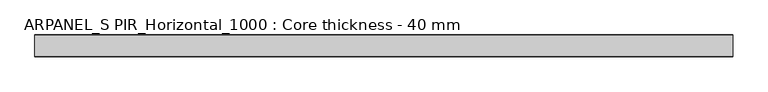
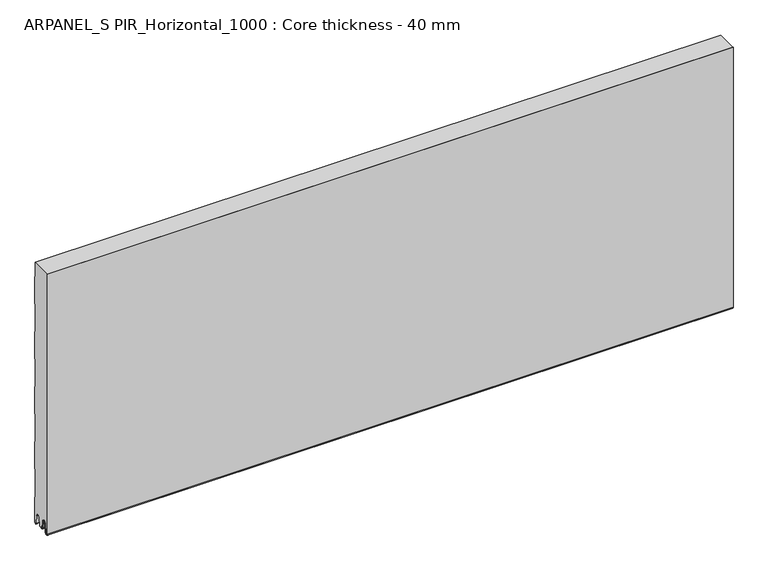
"""IFC4 building model written with IfcOpenShell, lengths in millimetres: plate geometry, ARPANEL_S PIR_Horizontal_1000 : Core thickness - 40 mm."""

from ifc_helpers import new_model, si_unit, frame, origin, place, context, project, spatial, polyline, circle_curve, source, transform, mapped, element, save
from ifc_brep_helpers import plane_surface, cylinder_surface, revolved_surface, advanced_brep


def arpanel_s_pir_horizontal_1000_core_thickness_40_mm_8e1b4253(model_context):
    return source(origin(), model_context, "Body", "AdvancedBrep", [
        advanced_brep(
        [(620.0, -39.9996949, 3.0900682), (620.0, -33.81449, 2.7875612), (620.0, -32.197116, 19.2828169), (620.0, -29.1776715, 21.9898782), (620.0, -26.1582271, 19.2828169), (620.0, -24.7725998, 5.1510966), (620.0, -20.3830995, 5.365779), (620.0, -21.1830995, 5.365779), (620.0, -23.9764178, 5.2291629), (620.0, -25.3620451, 19.3608832), (620.0, -29.1776715, 22.7899182), (620.0, -32.9932979, 19.3608832), (620.0, -34.6106719, 2.8656275), (620.0, -39.1996949, 3.0900682), (620.0, -39.2, 500.0), (620.0, -39.9996949, 500.0), (-620.0, -39.1996949, 3.0900682), (-620.0, -34.6106719, 2.8656275), (-620.0, -32.9932979, 19.3608832), (-620.0, -29.1776715, 22.7899182), (-620.0, -25.3620451, 19.3608832), (-620.0, -23.9764178, 5.2291629), (-620.0, -21.1830995, 5.365779), (-620.0, -20.3830995, 5.365779), (-620.0, -24.7725998, 5.1510966), (-620.0, -26.1582271, 19.2828169), (-620.0, -29.1776715, 21.9898782), (-620.0, -32.197116, 19.2828169), (-620.0, -33.81449, 2.7875612), (-620.0, -39.9996949, 3.0900682), (-620.0, -39.9996949, 500.0), (-620.0, -39.2, 500.0)],
        [
            (0, 1, circle_curve(frame((620.0, -36.8996949, 3.0900682), z_axis=(1.0, 0.0, 0.0), x_axis=(0.0, 0.0, -1.0)), 3.1)),
            (1, 2),
            (2, 3, circle_curve(frame((620.0, -29.2114338, 18.9900682), z_axis=(-1.0, 0.0, 0.0), x_axis=(0.0, 0.0, -1.0)), 3.0)),
            (3, 4, circle_curve(frame((620.0, -29.1439093, 18.9900682), z_axis=(-1.0, 0.0, 0.0), x_axis=(0.0, 0.0, -1.0)), 3.0)),
            (4, 5),
            (5, 6, circle_curve(frame((620.0, -22.5830995, 5.365779), z_axis=(1.0, 0.0, 0.0), x_axis=(0.0, 0.0, -1.0)), 2.2)),
            (6, 7),
            (7, 8, circle_curve(frame((620.0, -22.5830995, 5.365779), z_axis=(-1.0, 0.0, 0.0), x_axis=(0.0, 0.0, -1.0)), 1.4)),
            (8, 9),
            (9, 10, circle_curve(frame((620.0, -29.1439093, 18.9900682), z_axis=(1.0, 0.0, 0.0), x_axis=(0.0, 0.0, -1.0)), 3.8)),
            (10, 11, circle_curve(frame((620.0, -29.2114338, 18.9900682), z_axis=(1.0, 0.0, 0.0), x_axis=(0.0, 0.0, -1.0)), 3.8)),
            (11, 12),
            (12, 13, circle_curve(frame((620.0, -36.8996949, 3.0900682), z_axis=(-1.0, 0.0, 0.0), x_axis=(0.0, 0.0, -1.0)), 2.3)),
            (13, 14),
            (14, 15),
            (15, 0),
            (16, 17, circle_curve(frame((-620.0, -36.8996949, 3.0900682), z_axis=(1.0, 0.0, 0.0), x_axis=(0.0, 0.0, -1.0)), 2.3)),
            (17, 18),
            (18, 19, circle_curve(frame((-620.0, -29.2114338, 18.9900682), z_axis=(-1.0, 0.0, 0.0), x_axis=(0.0, 0.0, -1.0)), 3.8)),
            (19, 20, circle_curve(frame((-620.0, -29.1439093, 18.9900682), z_axis=(-1.0, 0.0, 0.0), x_axis=(0.0, 0.0, -1.0)), 3.8)),
            (20, 21),
            (21, 22, circle_curve(frame((-620.0, -22.5830995, 5.365779), z_axis=(1.0, 0.0, 0.0), x_axis=(0.0, 0.0, -1.0)), 1.4)),
            (22, 23),
            (23, 24, circle_curve(frame((-620.0, -22.5830995, 5.365779), z_axis=(-1.0, 0.0, 0.0), x_axis=(0.0, 0.0, -1.0)), 2.2)),
            (24, 25),
            (25, 26, circle_curve(frame((-620.0, -29.1439093, 18.9900682), z_axis=(1.0, 0.0, 0.0), x_axis=(0.0, 0.0, -1.0)), 3.0)),
            (26, 27, circle_curve(frame((-620.0, -29.2114338, 18.9900682), z_axis=(1.0, 0.0, 0.0), x_axis=(0.0, 0.0, -1.0)), 3.0)),
            (27, 28),
            (28, 29, circle_curve(frame((-620.0, -36.8996949, 3.0900682), z_axis=(-1.0, 0.0, 0.0), x_axis=(0.0, 0.0, -1.0)), 3.1)),
            (29, 30),
            (30, 31),
            (31, 16),
            (13, 16),
            (31, 14),
            (12, 17),
            (11, 18),
            (10, 19),
            (9, 20),
            (8, 21),
            (7, 22),
            (6, 23),
            (5, 24),
            (4, 25),
            (3, 26),
            (2, 27),
            (1, 28),
            (0, 29),
            (15, 30),
        ],
        [
            plane_surface(frame((620.0, -40.0, 0.0), z_axis=(1.0, 0.0, 0.0), x_axis=(0.0, 1.0, 0.0))),
            plane_surface(frame((-620.0, -40.0, 0.0), z_axis=(-1.0, 0.0, 0.0), x_axis=(0.0, 1.0, 0.0))),
            plane_surface(frame((620.0, -39.2, 3.0900682), z_axis=(0.0, 1.0, 0.0), x_axis=(-1.0, 0.0, 0.0))),
            revolved_surface(polyline([(-620.0, -36.8996949, 0.7900682000000003), (620.0, -36.8996949, 0.7900682000000003)]), (620.0, -36.8996949, 3.0900682), (-1.0, 0.0, 0.0)),
            plane_surface(frame((620.0, -32.9932979, 19.3608832), z_axis=(0.0, -0.9952273999818314, 0.09758289975914787), x_axis=(-1.0, 0.0, 0.0))),
            cylinder_surface(frame((620.0, -29.2114338, 18.9900682), z_axis=(1.0, 0.0, 0.0), x_axis=(0.0, 0.0, -1.0)), 3.8),
            cylinder_surface(frame((620.0, -29.1439093, 18.9900682), z_axis=(1.0, 0.0, 0.0), x_axis=(0.0, 0.0, -1.0)), 3.8),
            plane_surface(frame((620.0, -23.9764178, 5.2291629), z_axis=(0.0, 0.9952273999818297, 0.09758289975916531), x_axis=(-1.0, 0.0, 0.0))),
            revolved_surface(polyline([(-620.0, -22.5830995, 3.965779), (620.0, -22.5830995, 3.965779)]), (620.0, -22.5830995, 5.365779), (-1.0, 0.0, 0.0)),
            plane_surface(frame((620.0, -20.3830995, 5.365779), z_axis=(0.0, 0.0, 1.0), x_axis=(-1.0, 0.0, 0.0))),
            cylinder_surface(frame((620.0, -22.5830995, 5.365779), z_axis=(1.0, 0.0, 0.0), x_axis=(0.0, 0.0, -1.0)), 2.2),
            plane_surface(frame((620.0, -26.1582271, 19.2828169), z_axis=(0.0, -0.9952273999818296, -0.09758289975916527), x_axis=(-1.0, 0.0, 0.0))),
            revolved_surface(polyline([(-620.0, -29.1439093, 15.9900682), (620.0, -29.1439093, 15.9900682)]), (620.0, -29.1439093, 18.9900682), (-1.0, 0.0, 0.0)),
            revolved_surface(polyline([(-620.0, -29.2114338, 15.9900682), (620.0, -29.2114338, 15.9900682)]), (620.0, -29.2114338, 18.9900682), (-1.0, 0.0, 0.0)),
            plane_surface(frame((620.0, -33.81449, 2.7875612), z_axis=(0.0, 0.9952273999818314, -0.09758289975914787), x_axis=(-1.0, 0.0, 0.0))),
            cylinder_surface(frame((620.0, -36.8996949, 3.0900682), z_axis=(1.0, 0.0, 0.0), x_axis=(0.0, 0.0, -1.0)), 3.1),
            plane_surface(frame((620.0, -39.9996949, 993.9000005), z_axis=(0.0, -1.0, 0.0), x_axis=(-1.0, 0.0, 0.0))),
            plane_surface(frame((-620.0, 134.0533409, 500.0), z_axis=(0.0, 0.0, 1.0), x_axis=(1.0, 0.0, 0.0))),
        ],
        [
            (0, [[1, 2, 3, 4, 5, 6, 7, 8, 9, 10, 11, 12, 13, 14, 15, 16]]),
            (1, [[17, 18, 19, 20, 21, 22, 23, 24, 25, 26, 27, 28, 29, 30, 31, 32]]),
            (2, [[33, -32, 34, -14]]),
            (3, [[-13, 35, -17, -33]]),
            (4, [[-12, 36, -18, -35]]),
            (5, [[-11, 37, -19, -36]]),
            (6, [[-10, 38, -20, -37]]),
            (7, [[-9, 39, -21, -38]]),
            (8, [[-8, 40, -22, -39]]),
            (9, [[-7, 41, -23, -40]]),
            (10, [[-6, 42, -24, -41]]),
            (11, [[-5, 43, -25, -42]]),
            (12, [[-4, 44, -26, -43]]),
            (13, [[-3, 45, -27, -44]]),
            (14, [[-2, 46, -28, -45]]),
            (15, [[-1, 47, -29, -46]]),
            (16, [[-47, -16, 48, -30]]),
            (17, [[-15, -34, -31, -48]]),
        ],
    ),
        advanced_brep(
        [(620.0, -19.3897461, 4.3921875), (620.0, -19.6169005, 5.365779), (620.0, -18.8169005, 5.365779), (620.0, -16.0235822, 5.2291629), (620.0, -14.6379549, 19.3608832), (620.0, -10.8223285, 22.7899182), (620.0, -7.0067021, 19.3608832), (620.0, -5.3893281, 2.8656275), (620.0, -0.8003051, 3.0900682), (620.0, -0.8, 49.9459237), (620.0, -1.0986697, 50.9973395), (620.0, -1.5003051, 52.4177205), (620.0, -1.5003051, 102.5775037), (620.0, -1.0971009, 103.9969151), (620.0, -0.8, 105.0493005), (620.0, -0.8, 155.2090837), (620.0, -1.0986697, 156.2604995), (620.0, -1.5003051, 157.6808805), (620.0, -1.5003051, 207.8406637), (620.0, -1.0971009, 209.2600751), (620.0, -0.8, 210.3124605), (620.0, -0.8, 260.4722437), (620.0, -1.0986697, 261.5236595), (620.0, -1.5003051, 262.9440405), (620.0, -1.5003051, 313.1038237), (620.0, -1.0971009, 314.5232351), (620.0, -0.8, 315.5756205), (620.0, -0.8, 365.7354037), (620.0, -1.0986697, 366.7868195), (620.0, -1.5003051, 368.2072005), (620.0, -1.5003051, 418.3669837), (620.0, -1.0971009, 419.7863951), (620.0, -0.8, 420.8387805), (620.0, -0.8, 470.9985637), (620.0, -1.0986697, 472.0499795), (620.0, -1.5003051, 473.4703605), (620.0, -1.5003051, 500.0), (620.0, -39.2, 500.0), (620.0, -39.2, 3.0900682), (620.0, -34.6106719, 2.8656275), (620.0, -32.9932979, 19.3608832), (620.0, -29.1776715, 22.7899182), (620.0, -25.3620451, 19.3608832), (620.0, -23.9764178, 5.2291629), (620.0, -21.1830995, 5.365779), (620.0, -20.3830995, 5.365779), (620.0, -20.6102539, 4.3921875), (-620.0, -19.6169005, 5.365779), (-620.0, -19.3897461, 4.3921875), (-620.0, -20.6102539, 4.3921875), (-620.0, -20.3830995, 5.365779), (-620.0, -21.1830995, 5.365779), (-620.0, -21.5446132, 4.4268721), (-620.0, -23.9764178, 5.2291629), (-620.0, -25.3620451, 19.3608832), (-620.0, -29.1776715, 22.7899182), (-620.0, -32.9932979, 19.3608832), (-620.0, -34.6106719, 2.8656275), (-620.0, -39.1996949, 3.0900682), (-620.0, -39.2, 500.0), (-620.0, -1.5003051, 500.0), (-620.0, -1.5003051, 473.4703605), (-620.0, -1.0971009, 472.0509491), (-620.0, -0.8, 470.9985637), (-620.0, -0.8, 420.8387805), (-620.0, -1.0986697, 419.7873646), (-620.0, -1.5003051, 418.3669837), (-620.0, -1.5003051, 368.2072005), (-620.0, -1.0971009, 366.7877891), (-620.0, -0.8, 365.7354037), (-620.0, -0.8, 315.5756205), (-620.0, -1.0986697, 314.5242046), (-620.0, -1.5003051, 313.1038237), (-620.0, -1.5003051, 262.9440405), (-620.0, -1.0971009, 261.5246291), (-620.0, -0.8, 260.4722437), (-620.0, -0.8, 210.3124605), (-620.0, -1.0986697, 209.2610446), (-620.0, -1.5003051, 207.8406637), (-620.0, -1.5003051, 157.6808805), (-620.0, -1.0971009, 156.2614691), (-620.0, -0.8, 155.2090837), (-620.0, -0.8, 105.0493005), (-620.0, -1.0986697, 103.9978846), (-620.0, -1.5003051, 102.5775037), (-620.0, -1.5003051, 52.4177205), (-620.0, -1.0971009, 50.9983091), (-620.0, -0.8, 49.9459237), (-620.0, -0.8, 3.0900682), (-620.0, -5.3893281, 2.8656275), (-620.0, -7.0067021, 19.3608832), (-620.0, -10.8223285, 22.7899182), (-620.0, -14.6379549, 19.3608832), (-620.0, -16.0235822, 5.2291629), (-620.0, -18.4553868, 4.4268721), (-620.0, -18.8169005, 5.365779)],
        [
            (0, 1, circle_curve(frame((620.0, -17.4169005, 5.365779), z_axis=(-1.0, 0.0, 0.0), x_axis=(0.0, 0.0, -1.0)), 2.2)),
            (1, 2),
            (2, 3, circle_curve(frame((620.0, -17.4169005, 5.365779), z_axis=(1.0, 0.0, 0.0), x_axis=(0.0, 0.0, -1.0)), 1.4)),
            (3, 4),
            (4, 5, circle_curve(frame((620.0, -10.8560907, 18.9900682), z_axis=(-1.0, 0.0, 0.0), x_axis=(0.0, 0.0, -1.0)), 3.8)),
            (5, 6, circle_curve(frame((620.0, -10.7885662, 18.9900682), z_axis=(-1.0, 0.0, 0.0), x_axis=(0.0, 0.0, -1.0)), 3.8)),
            (6, 7),
            (7, 8, circle_curve(frame((620.0, -3.1003051, 3.0900682), z_axis=(1.0, 0.0, 0.0), x_axis=(0.0, 0.0, -1.0)), 2.3)),
            (8, 9),
            (9, 10, circle_curve(frame((620.0, -2.8, 49.9459237), z_axis=(1.0, 0.0, 0.0), x_axis=(0.0, 0.0, -1.0)), 2.0)),
            (10, 11, circle_curve(frame((620.0, 1.1996949, 52.4177205), z_axis=(-1.0, 0.0, 0.0), x_axis=(0.0, 0.0, -1.0)), 2.7)),
            (11, 12),
            (12, 13, circle_curve(frame((620.0, 1.1996949, 102.5775037), z_axis=(-1.0, 0.0, 0.0), x_axis=(0.0, 0.0, -1.0)), 2.7)),
            (13, 14, circle_curve(frame((620.0, -2.8, 105.0493005), z_axis=(1.0, 0.0, 0.0), x_axis=(0.0, 0.0, -1.0)), 2.0)),
            (14, 15),
            (15, 16, circle_curve(frame((620.0, -2.8, 155.2090837), z_axis=(1.0, 0.0, 0.0), x_axis=(0.0, 0.0, -1.0)), 2.0)),
            (16, 17, circle_curve(frame((620.0, 1.1996949, 157.6808805), z_axis=(-1.0, 0.0, 0.0), x_axis=(0.0, 0.0, -1.0)), 2.7)),
            (17, 18),
            (18, 19, circle_curve(frame((620.0, 1.1996949, 207.8406637), z_axis=(-1.0, 0.0, 0.0), x_axis=(0.0, 0.0, -1.0)), 2.7)),
            (19, 20, circle_curve(frame((620.0, -2.8, 210.3124605), z_axis=(1.0, 0.0, 0.0), x_axis=(0.0, 0.0, -1.0)), 2.0)),
            (20, 21),
            (21, 22, circle_curve(frame((620.0, -2.8, 260.4722437), z_axis=(1.0, 0.0, 0.0), x_axis=(0.0, 0.0, -1.0)), 2.0)),
            (22, 23, circle_curve(frame((620.0, 1.1996949, 262.9440405), z_axis=(-1.0, 0.0, 0.0), x_axis=(0.0, 0.0, -1.0)), 2.7)),
            (23, 24),
            (24, 25, circle_curve(frame((620.0, 1.1996949, 313.1038237), z_axis=(-1.0, 0.0, 0.0), x_axis=(0.0, 0.0, -1.0)), 2.7)),
            (25, 26, circle_curve(frame((620.0, -2.8, 315.5756205), z_axis=(1.0, 0.0, 0.0), x_axis=(0.0, 0.0, -1.0)), 2.0)),
            (26, 27),
            (27, 28, circle_curve(frame((620.0, -2.8, 365.7354037), z_axis=(1.0, 0.0, 0.0), x_axis=(0.0, 0.0, -1.0)), 2.0)),
            (28, 29, circle_curve(frame((620.0, 1.1996949, 368.2072005), z_axis=(-1.0, 0.0, 0.0), x_axis=(0.0, 0.0, -1.0)), 2.7)),
            (29, 30),
            (30, 31, circle_curve(frame((620.0, 1.1996949, 418.3669837), z_axis=(-1.0, 0.0, 0.0), x_axis=(0.0, 0.0, -1.0)), 2.7)),
            (31, 32, circle_curve(frame((620.0, -2.8, 420.8387805), z_axis=(1.0, 0.0, 0.0), x_axis=(0.0, 0.0, -1.0)), 2.0)),
            (32, 33),
            (33, 34, circle_curve(frame((620.0, -2.8, 470.9985637), z_axis=(1.0, 0.0, 0.0), x_axis=(0.0, 0.0, -1.0)), 2.0)),
            (34, 35, circle_curve(frame((620.0, 1.1996949, 473.4703605), z_axis=(-1.0, 0.0, 0.0), x_axis=(0.0, 0.0, -1.0)), 2.7)),
            (35, 36),
            (36, 37),
            (37, 38),
            (38, 39, circle_curve(frame((620.0, -36.8996949, 3.0900682), z_axis=(1.0, 0.0, 0.0), x_axis=(0.0, 0.0, -1.0)), 2.3)),
            (39, 40),
            (40, 41, circle_curve(frame((620.0, -29.2114338, 18.9900682), z_axis=(-1.0, 0.0, 0.0), x_axis=(0.0, 0.0, -1.0)), 3.8)),
            (41, 42, circle_curve(frame((620.0, -29.1439093, 18.9900682), z_axis=(-1.0, 0.0, 0.0), x_axis=(0.0, 0.0, -1.0)), 3.8)),
            (42, 43),
            (43, 44, circle_curve(frame((620.0, -22.5830995, 5.365779), z_axis=(1.0, 0.0, 0.0), x_axis=(0.0, 0.0, -1.0)), 1.4)),
            (44, 45),
            (45, 46, circle_curve(frame((620.0, -22.5830995, 5.365779), z_axis=(-1.0, 0.0, 0.0), x_axis=(0.0, 0.0, -1.0)), 2.2)),
            (46, 0),
            (47, 48, circle_curve(frame((-620.0, -17.4169005, 5.365779), z_axis=(1.0, 0.0, 0.0), x_axis=(0.0, 0.0, -1.0)), 2.2)),
            (48, 49),
            (49, 50, circle_curve(frame((-620.0, -22.5830995, 5.365779), z_axis=(1.0, 0.0, 0.0), x_axis=(0.0, 0.0, -1.0)), 2.2)),
            (50, 51),
            (51, 52, circle_curve(frame((-620.0, -22.5830995, 5.365779), z_axis=(-1.0, 0.0, 0.0), x_axis=(0.0, 0.0, -1.0)), 1.4)),
            (52, 53, circle_curve(frame((-620.0, -22.5830995, 5.365779), z_axis=(-1.0, 0.0, 0.0), x_axis=(0.0, 0.0, -1.0)), 1.4)),
            (53, 54),
            (54, 55, circle_curve(frame((-620.0, -29.1439093, 18.9900682), z_axis=(1.0, 0.0, 0.0), x_axis=(0.0, 0.0, -1.0)), 3.8)),
            (55, 56, circle_curve(frame((-620.0, -29.2114338, 18.9900682), z_axis=(1.0, 0.0, 0.0), x_axis=(0.0, 0.0, -1.0)), 3.8)),
            (56, 57),
            (57, 58, circle_curve(frame((-620.0, -36.8996949, 3.0900682), z_axis=(-1.0, 0.0, 0.0), x_axis=(0.0, 0.0, -1.0)), 2.3)),
            (58, 59),
            (59, 60),
            (60, 61),
            (61, 62, circle_curve(frame((-620.0, 1.1996949, 473.4703605), z_axis=(1.0, 0.0, 0.0), x_axis=(0.0, 0.0, -1.0)), 2.7)),
            (62, 63, circle_curve(frame((-620.0, -2.8, 470.9985637), z_axis=(-1.0, 0.0, 0.0), x_axis=(0.0, 0.0, -1.0)), 2.0)),
            (63, 64),
            (64, 65, circle_curve(frame((-620.0, -2.8, 420.8387805), z_axis=(-1.0, 0.0, 0.0), x_axis=(0.0, 0.0, -1.0)), 2.0)),
            (65, 66, circle_curve(frame((-620.0, 1.1996949, 418.3669837), z_axis=(1.0, 0.0, 0.0), x_axis=(0.0, 0.0, -1.0)), 2.7)),
            (66, 67),
            (67, 68, circle_curve(frame((-620.0, 1.1996949, 368.2072005), z_axis=(1.0, 0.0, 0.0), x_axis=(0.0, 0.0, -1.0)), 2.7)),
            (68, 69, circle_curve(frame((-620.0, -2.8, 365.7354037), z_axis=(-1.0, 0.0, 0.0), x_axis=(0.0, 0.0, -1.0)), 2.0)),
            (69, 70),
            (70, 71, circle_curve(frame((-620.0, -2.8, 315.5756205), z_axis=(-1.0, 0.0, 0.0), x_axis=(0.0, 0.0, -1.0)), 2.0)),
            (71, 72, circle_curve(frame((-620.0, 1.1996949, 313.1038237), z_axis=(1.0, 0.0, 0.0), x_axis=(0.0, 0.0, -1.0)), 2.7)),
            (72, 73),
            (73, 74, circle_curve(frame((-620.0, 1.1996949, 262.9440405), z_axis=(1.0, 0.0, 0.0), x_axis=(0.0, 0.0, -1.0)), 2.7)),
            (74, 75, circle_curve(frame((-620.0, -2.8, 260.4722437), z_axis=(-1.0, 0.0, 0.0), x_axis=(0.0, 0.0, -1.0)), 2.0)),
            (75, 76),
            (76, 77, circle_curve(frame((-620.0, -2.8, 210.3124605), z_axis=(-1.0, 0.0, 0.0), x_axis=(0.0, 0.0, -1.0)), 2.0)),
            (77, 78, circle_curve(frame((-620.0, 1.1996949, 207.8406637), z_axis=(1.0, 0.0, 0.0), x_axis=(0.0, 0.0, -1.0)), 2.7)),
            (78, 79),
            (79, 80, circle_curve(frame((-620.0, 1.1996949, 157.6808805), z_axis=(1.0, 0.0, 0.0), x_axis=(0.0, 0.0, -1.0)), 2.7)),
            (80, 81, circle_curve(frame((-620.0, -2.8, 155.2090837), z_axis=(-1.0, 0.0, 0.0), x_axis=(0.0, 0.0, -1.0)), 2.0)),
            (81, 82),
            (82, 83, circle_curve(frame((-620.0, -2.8, 105.0493005), z_axis=(-1.0, 0.0, 0.0), x_axis=(0.0, 0.0, -1.0)), 2.0)),
            (83, 84, circle_curve(frame((-620.0, 1.1996949, 102.5775037), z_axis=(1.0, 0.0, 0.0), x_axis=(0.0, 0.0, -1.0)), 2.7)),
            (84, 85),
            (85, 86, circle_curve(frame((-620.0, 1.1996949, 52.4177205), z_axis=(1.0, 0.0, 0.0), x_axis=(0.0, 0.0, -1.0)), 2.7)),
            (86, 87, circle_curve(frame((-620.0, -2.8, 49.9459237), z_axis=(-1.0, 0.0, 0.0), x_axis=(0.0, 0.0, -1.0)), 2.0)),
            (87, 88),
            (88, 89, circle_curve(frame((-620.0, -3.1003051, 3.0900682), z_axis=(-1.0, 0.0, 0.0), x_axis=(0.0, 0.0, -1.0)), 2.3)),
            (89, 90),
            (90, 91, circle_curve(frame((-620.0, -10.7885662, 18.9900682), z_axis=(1.0, 0.0, 0.0), x_axis=(0.0, 0.0, -1.0)), 3.8)),
            (91, 92, circle_curve(frame((-620.0, -10.8560907, 18.9900682), z_axis=(1.0, 0.0, 0.0), x_axis=(0.0, 0.0, -1.0)), 3.8)),
            (92, 93),
            (93, 94, circle_curve(frame((-620.0, -17.4169005, 5.365779), z_axis=(-1.0, 0.0, 0.0), x_axis=(0.0, 0.0, -1.0)), 1.4)),
            (94, 95, circle_curve(frame((-620.0, -17.4169005, 5.365779), z_axis=(-1.0, 0.0, 0.0), x_axis=(0.0, 0.0, -1.0)), 1.4)),
            (95, 47),
            (47, 1),
            (0, 48),
            (95, 2),
            (93, 3),
            (92, 4),
            (91, 5),
            (90, 6),
            (89, 7),
            (88, 8),
            (87, 9),
            (86, 10),
            (85, 11),
            (84, 12),
            (83, 13),
            (82, 14),
            (81, 15),
            (80, 16),
            (79, 17),
            (78, 18),
            (77, 19),
            (76, 20),
            (75, 21),
            (74, 22),
            (73, 23),
            (72, 24),
            (71, 25),
            (70, 26),
            (69, 27),
            (68, 28),
            (67, 29),
            (66, 30),
            (65, 31),
            (64, 32),
            (63, 33),
            (62, 34),
            (61, 35),
            (60, 36),
            (58, 38),
            (37, 59),
            (57, 39),
            (56, 40),
            (55, 41),
            (54, 42),
            (53, 43),
            (51, 44),
            (50, 45),
            (49, 46),
        ],
        [
            plane_surface(frame((620.0, 0.0, 0.0), z_axis=(1.0, 0.0, 0.0), x_axis=(0.0, -1.0, 0.0))),
            plane_surface(frame((-620.0, 0.0, 0.0), z_axis=(-1.0, 0.0, 0.0), x_axis=(0.0, -1.0, 0.0))),
            revolved_surface(polyline([(620.0, -17.4169005, 3.1657789999999997), (-620.0, -17.4169005, 3.1657789999999997)]), (750.0, -17.4169005, 5.365779), (1.0, 0.0, 0.0)),
            plane_surface(frame((750.0, -18.8169005, 5.365779), z_axis=(0.0, 0.0, -1.0), x_axis=(-1.0, 0.0, 0.0))),
            cylinder_surface(frame((750.0, -17.4169005, 5.365779), z_axis=(-1.0, 0.0, 0.0), x_axis=(0.0, 0.0, -1.0)), 1.4),
            plane_surface(frame((750.0, -14.6379549, 19.3608832), z_axis=(0.0, 0.9952273999818297, -0.09758289975916531), x_axis=(-1.0, 0.0, 0.0))),
            revolved_surface(polyline([(620.0, -10.8560907, 15.190068199999999), (-620.0, -10.8560907, 15.190068199999999)]), (750.0, -10.8560907, 18.9900682), (1.0, 0.0, 0.0)),
            revolved_surface(polyline([(620.0, -10.7885662, 15.190068199999999), (-620.0, -10.7885662, 15.190068199999999)]), (750.0, -10.7885662, 18.9900682), (1.0, 0.0, 0.0)),
            plane_surface(frame((750.0, -5.3893281, 2.8656275), z_axis=(0.0, -0.9952273999818314, -0.09758289975914787), x_axis=(-1.0, 0.0, 0.0))),
            cylinder_surface(frame((750.0, -3.1003051, 3.0900682), z_axis=(-1.0, 0.0, 0.0), x_axis=(0.0, 0.0, -1.0)), 2.3),
            plane_surface(frame((750.0, -0.8, 49.9459237), z_axis=(0.0, 1.0, 0.0), x_axis=(-1.0, 0.0, 0.0))),
            cylinder_surface(frame((750.0, -2.8, 49.9459237), z_axis=(-1.0, 0.0, 0.0), x_axis=(0.0, 0.0, -1.0)), 2.0),
            revolved_surface(polyline([(620.0, 1.1996949, 49.7177205), (-620.0, 1.1996949, 49.7177205)]), (750.0, 1.1996949, 52.4177205), (1.0, 0.0, 0.0)),
            plane_surface(frame((750.0, -1.5003051, 102.5775037), z_axis=(0.0, 1.0, 0.0), x_axis=(-1.0, 0.0, 0.0))),
            revolved_surface(polyline([(620.0, 1.1996949, 99.87750369999999), (-620.0, 1.1996949, 99.87750369999999)]), (750.0, 1.1996949, 102.5775037), (1.0, 0.0, 0.0)),
            cylinder_surface(frame((750.0, -2.8, 105.0493005), z_axis=(-1.0, 0.0, 0.0), x_axis=(0.0, 0.0, -1.0)), 2.0),
            plane_surface(frame((750.0, -0.8, 155.2090837), z_axis=(0.0, 1.0, 0.0), x_axis=(-1.0, 0.0, 0.0))),
            cylinder_surface(frame((750.0, -2.8, 155.2090837), z_axis=(-1.0, 0.0, 0.0), x_axis=(0.0, 0.0, -1.0)), 2.0),
            revolved_surface(polyline([(620.0, 1.1996949, 154.9808805), (-620.0, 1.1996949, 154.9808805)]), (750.0, 1.1996949, 157.6808805), (1.0, 0.0, 0.0)),
            plane_surface(frame((750.0, -1.5003051, 207.8406637), z_axis=(0.0, 1.0, 0.0), x_axis=(-1.0, 0.0, 0.0))),
            revolved_surface(polyline([(620.0, 1.1996949, 205.1406637), (-620.0, 1.1996949, 205.1406637)]), (750.0, 1.1996949, 207.8406637), (1.0, 0.0, 0.0)),
            cylinder_surface(frame((750.0, -2.8, 210.3124605), z_axis=(-1.0, 0.0, 0.0), x_axis=(0.0, 0.0, -1.0)), 2.0),
            plane_surface(frame((750.0, -0.8, 260.4722437), z_axis=(0.0, 1.0, 0.0), x_axis=(-1.0, 0.0, 0.0))),
            cylinder_surface(frame((750.0, -2.8, 260.4722437), z_axis=(-1.0, 0.0, 0.0), x_axis=(0.0, 0.0, -1.0)), 2.0),
            revolved_surface(polyline([(620.0, 1.1996949, 260.24404050000004), (-620.0, 1.1996949, 260.24404050000004)]), (750.0, 1.1996949, 262.9440405), (1.0, 0.0, 0.0)),
            plane_surface(frame((750.0, -1.5003051, 313.1038237), z_axis=(0.0, 1.0, 0.0), x_axis=(-1.0, 0.0, 0.0))),
            revolved_surface(polyline([(620.0, 1.1996949, 310.40382370000003), (-620.0, 1.1996949, 310.40382370000003)]), (750.0, 1.1996949, 313.1038237), (1.0, 0.0, 0.0)),
            cylinder_surface(frame((750.0, -2.8, 315.5756205), z_axis=(-1.0, 0.0, 0.0), x_axis=(0.0, 0.0, -1.0)), 2.0),
            plane_surface(frame((750.0, -0.8, 365.7354037), z_axis=(0.0, 1.0, 0.0), x_axis=(-1.0, 0.0, 0.0))),
            cylinder_surface(frame((750.0, -2.8, 365.7354037), z_axis=(-1.0, 0.0, 0.0), x_axis=(0.0, 0.0, -1.0)), 2.0),
            revolved_surface(polyline([(620.0, 1.1996949, 365.5072005), (-620.0, 1.1996949, 365.5072005)]), (750.0, 1.1996949, 368.2072005), (1.0, 0.0, 0.0)),
            plane_surface(frame((750.0, -1.5003051, 418.3669837), z_axis=(0.0, 1.0, 0.0), x_axis=(-1.0, 0.0, 0.0))),
            revolved_surface(polyline([(620.0, 1.1996949, 415.6669837), (-620.0, 1.1996949, 415.6669837)]), (750.0, 1.1996949, 418.3669837), (1.0, 0.0, 0.0)),
            cylinder_surface(frame((750.0, -2.8, 420.8387805), z_axis=(-1.0, 0.0, 0.0), x_axis=(0.0, 0.0, -1.0)), 2.0),
            plane_surface(frame((750.0, -0.8, 470.9985637), z_axis=(0.0, 1.0, 0.0), x_axis=(-1.0, 0.0, 0.0))),
            cylinder_surface(frame((750.0, -2.8, 470.9985637), z_axis=(-1.0, 0.0, 0.0), x_axis=(0.0, 0.0, -1.0)), 2.0),
            revolved_surface(polyline([(620.0, 1.1996949, 470.77036050000004), (-620.0, 1.1996949, 470.77036050000004)]), (750.0, 1.1996949, 473.4703605), (1.0, 0.0, 0.0)),
            plane_surface(frame((750.0, -1.5003051, 523.6301437), z_axis=(0.0, 1.0, 0.0), x_axis=(-1.0, 0.0, 0.0))),
            plane_surface(frame((750.0, -39.2, 3.0900682), z_axis=(0.0, -1.0, 0.0), x_axis=(-1.0, 0.0, 0.0))),
            cylinder_surface(frame((750.0, -36.8996949, 3.0900682), z_axis=(-1.0, 0.0, 0.0), x_axis=(0.0, 0.0, -1.0)), 2.3),
            plane_surface(frame((750.0, -32.9932979, 19.3608832), z_axis=(0.0, 0.9952273999818314, -0.09758289975914787), x_axis=(-1.0, 0.0, 0.0))),
            revolved_surface(polyline([(620.0, -29.2114338, 15.190068199999999), (-620.0, -29.2114338, 15.190068199999999)]), (750.0, -29.2114338, 18.9900682), (1.0, 0.0, 0.0)),
            revolved_surface(polyline([(620.0, -29.1439093, 15.190068199999999), (-620.0, -29.1439093, 15.190068199999999)]), (750.0, -29.1439093, 18.9900682), (1.0, 0.0, 0.0)),
            plane_surface(frame((750.0, -23.9764178, 5.2291629), z_axis=(0.0, -0.9952273999818297, -0.09758289975916531), x_axis=(-1.0, 0.0, 0.0))),
            cylinder_surface(frame((750.0, -22.5830995, 5.365779), z_axis=(-1.0, 0.0, 0.0), x_axis=(0.0, 0.0, -1.0)), 1.4),
            plane_surface(frame((750.0, -20.3830995, 5.365779), z_axis=(0.0, 0.0, -1.0), x_axis=(-1.0, 0.0, 0.0))),
            revolved_surface(polyline([(620.0, -22.5830995, 3.1657789999999997), (-620.0, -22.5830995, 3.1657789999999997)]), (750.0, -22.5830995, 5.365779), (1.0, 0.0, 0.0)),
            plane_surface(frame((620.0, -21.50625, 4.3921875), z_axis=(0.0, 0.0, -1.0), x_axis=(-1.0, 0.0, 0.0))),
            plane_surface(frame((-620.0, 134.0533409, 500.0), z_axis=(0.0, 0.0, 1.0), x_axis=(1.0, 0.0, 0.0))),
        ],
        [
            (0, [[1, 2, 3, 4, 5, 6, 7, 8, 9, 10, 11, 12, 13, 14, 15, 16, 17, 18, 19, 20, 21, 22, 23, 24, 25, 26, 27, 28, 29, 30, 31, 32, 33, 34, 35, 36, 37, 38, 39, 40, 41, 42, 43, 44, 45, 46, 47]]),
            (1, [[48, 49, 50, 51, 52, 53, 54, 55, 56, 57, 58, 59, 60, 61, 62, 63, 64, 65, 66, 67, 68, 69, 70, 71, 72, 73, 74, 75, 76, 77, 78, 79, 80, 81, 82, 83, 84, 85, 86, 87, 88, 89, 90, 91, 92, 93, 94, 95, 96]]),
            (2, [[97, -1, 98, -48]]),
            (3, [[-97, -96, 99, -2]]),
            (4, [[-99, -95, -94, 100, -3]]),
            (5, [[-100, -93, 101, -4]]),
            (6, [[-101, -92, 102, -5]]),
            (7, [[-102, -91, 103, -6]]),
            (8, [[-103, -90, 104, -7]]),
            (9, [[-104, -89, 105, -8]]),
            (10, [[-105, -88, 106, -9]]),
            (11, [[-106, -87, 107, -10]]),
            (12, [[-107, -86, 108, -11]]),
            (13, [[-108, -85, 109, -12]]),
            (14, [[-109, -84, 110, -13]]),
            (15, [[-110, -83, 111, -14]]),
            (16, [[-111, -82, 112, -15]]),
            (17, [[-112, -81, 113, -16]]),
            (18, [[-113, -80, 114, -17]]),
            (19, [[-114, -79, 115, -18]]),
            (20, [[-115, -78, 116, -19]]),
            (21, [[-116, -77, 117, -20]]),
            (22, [[-117, -76, 118, -21]]),
            (23, [[-118, -75, 119, -22]]),
            (24, [[-119, -74, 120, -23]]),
            (25, [[-120, -73, 121, -24]]),
            (26, [[-121, -72, 122, -25]]),
            (27, [[-122, -71, 123, -26]]),
            (28, [[-123, -70, 124, -27]]),
            (29, [[-124, -69, 125, -28]]),
            (30, [[-125, -68, 126, -29]]),
            (31, [[-126, -67, 127, -30]]),
            (32, [[-127, -66, 128, -31]]),
            (33, [[-128, -65, 129, -32]]),
            (34, [[-129, -64, 130, -33]]),
            (35, [[-130, -63, 131, -34]]),
            (36, [[-131, -62, 132, -35]]),
            (37, [[-132, -61, 133, -36]]),
            (38, [[134, -38, 135, -59]]),
            (39, [[-134, -58, 136, -39]]),
            (40, [[-136, -57, 137, -40]]),
            (41, [[-137, -56, 138, -41]]),
            (42, [[-138, -55, 139, -42]]),
            (43, [[-139, -54, 140, -43]]),
            (44, [[-140, -53, -52, 141, -44]]),
            (45, [[-141, -51, 142, -45]]),
            (46, [[-142, -50, 143, -46]]),
            (47, [[-98, -47, -143, -49]]),
            (48, [[-133, -60, -135, -37]]),
        ],
    ),
    ])


if __name__ == "__main__":
    model = new_model("IFC4")
    model_context = context("Model", 3, world=origin())
    ifc_project = project(units=[si_unit("LENGTHUNIT", "METRE", prefix="MILLI")], contexts=[model_context])
    site = spatial("IfcSite", under=ifc_project)
    building = spatial("IfcBuilding", under=site)
    placement = place(None, origin())
    arpanel_s_pir_horizontal_1000_core_thickness_40_mm_shape = arpanel_s_pir_horizontal_1000_core_thickness_40_mm_8e1b4253(model_context)
    element("IfcPlate", 1, ObjectType="ARPANEL_S PIR_Horizontal_1000 : Core thickness - 40 mm", at=placement, inside=building, context=model_context, shape_type="MappedRepresentation", body=[
        mapped(arpanel_s_pir_horizontal_1000_core_thickness_40_mm_shape, transform((0.0, 0.0, 0.0), x_axis=(1.0, 0.0, 0.0), y_axis=(0.0, 1.0, 0.0), z_axis=(0.0, 0.0, 1.0))),
    ])
    save(model, "model.ifc")
